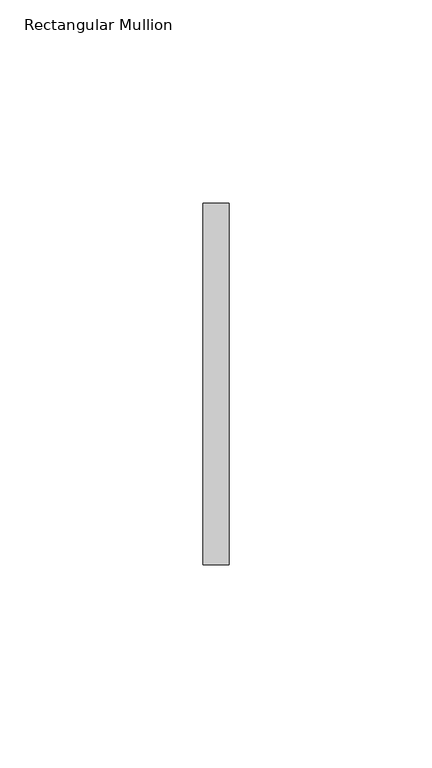
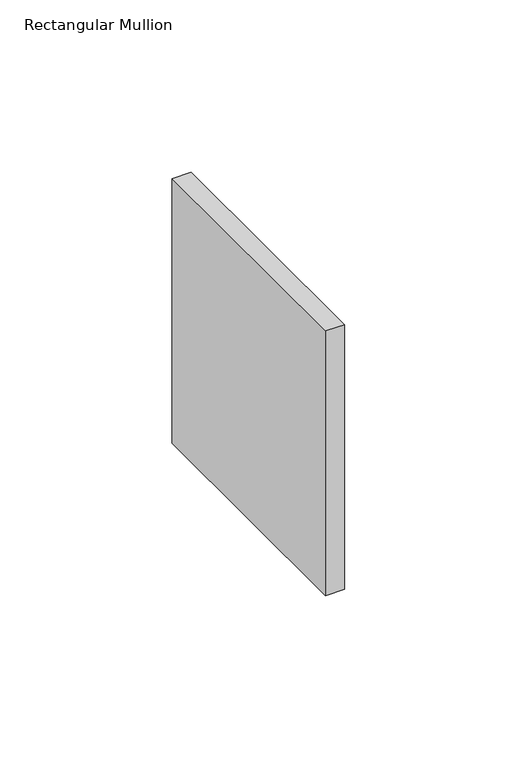
"""IFC4 building model written with IfcOpenShell, lengths in millimetres: member geometry, Rectangular Mullion."""

from ifc_helpers import new_model, si_unit, frame, origin, place, context, project, spatial, polyline, outline, extrude, source, transform, mapped, element, save


def rectangular_mullion_f59633d6(model_context):
    return source(origin(), model_context, "Body", "SweptSolid", [
        extrude(outline(polyline([(0.0, 44.45), (0.0, -44.45), (-6.35, -44.45), (-6.35, 44.45), (0.0, 44.45)])), frame((0.0, 0.0, -93.6625002), z_axis=(0.0, 0.0, 1.0), x_axis=(1.0, 0.0, 0.0)), (0.0, 0.0, 1.0), 93.6625002),
    ])


if __name__ == "__main__":
    model = new_model("IFC4")
    model_context = context("Model", 3, world=origin())
    ifc_project = project(units=[si_unit("LENGTHUNIT", "METRE", prefix="MILLI")], contexts=[model_context])
    site = spatial("IfcSite", under=ifc_project)
    building = spatial("IfcBuilding", under=site)
    placement = place(None, origin())
    rectangular_mullion_shape = rectangular_mullion_f59633d6(model_context)
    element("IfcMember", 1, ObjectType="Rectangular Mullion", at=placement, inside=building, context=model_context, shape_type="MappedRepresentation", body=[
        mapped(rectangular_mullion_shape, transform((0.0, 0.0, 0.0), x_axis=(1.0, 0.0, 0.0), y_axis=(0.0, 1.0, 0.0), z_axis=(0.0, 0.0, 1.0))),
    ])
    save(model, "model.ifc")
